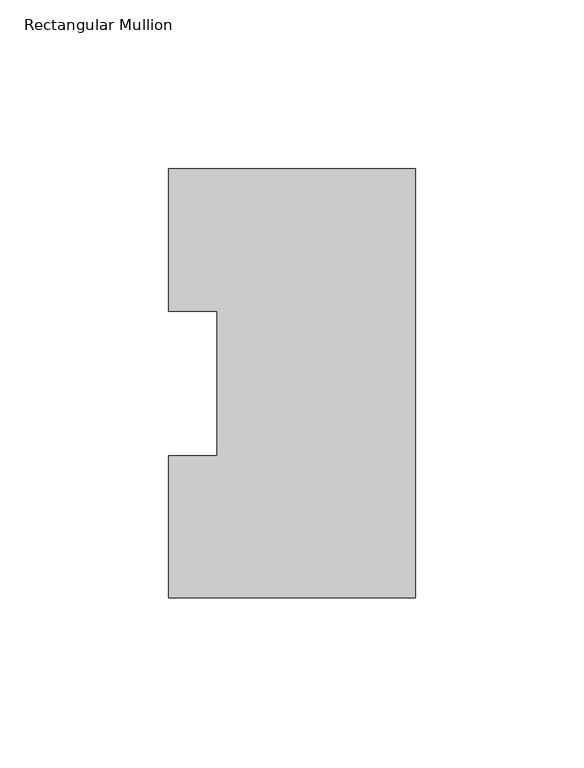
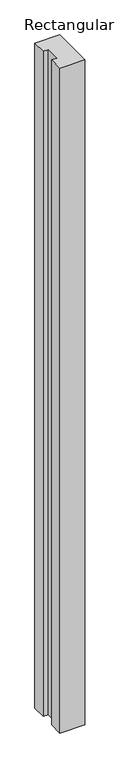
"""IFC4 building model written with IfcOpenShell, lengths in millimetres: member geometry, Rectangular Mullion."""

from ifc_helpers import new_model, si_unit, frame, origin, place, context, project, spatial, polyline, outline, extrude, source, transform, mapped, element, save


def rectangular_mullion_76a3fcdd(model_context):
    return source(origin(), model_context, "Body", "SweptSolid", [
        extrude(outline(polyline([(-73.025, 127.00635), (0.0, 127.00635), (0.0, 0.00635), (-73.025, 0.00635), (-73.025, 42.08145), (-58.7375, 42.08145), (-58.7375, 84.93125), (-73.025, 84.93125), (-73.025, 127.00635)])), frame((0.0, 0.0, -2057.4), z_axis=(0.0, 0.0, 1.0), x_axis=(1.0, 0.0, 0.0)), (0.0, 0.0, 1.0), 2057.4),
    ])


if __name__ == "__main__":
    model = new_model("IFC4")
    model_context = context("Model", 3, world=origin())
    ifc_project = project(units=[si_unit("LENGTHUNIT", "METRE", prefix="MILLI")], contexts=[model_context])
    site = spatial("IfcSite", under=ifc_project)
    building = spatial("IfcBuilding", under=site)
    placement = place(None, origin())
    rectangular_mullion_shape = rectangular_mullion_76a3fcdd(model_context)
    element("IfcMember", 1, ObjectType="Rectangular Mullion", at=placement, inside=building, context=model_context, shape_type="MappedRepresentation", body=[
        mapped(rectangular_mullion_shape, transform((0.0, 0.0, 0.0), x_axis=(1.0, 0.0, 0.0), y_axis=(0.0, 1.0, 0.0), z_axis=(0.0, 0.0, 1.0))),
    ])
    save(model, "model.ifc")
